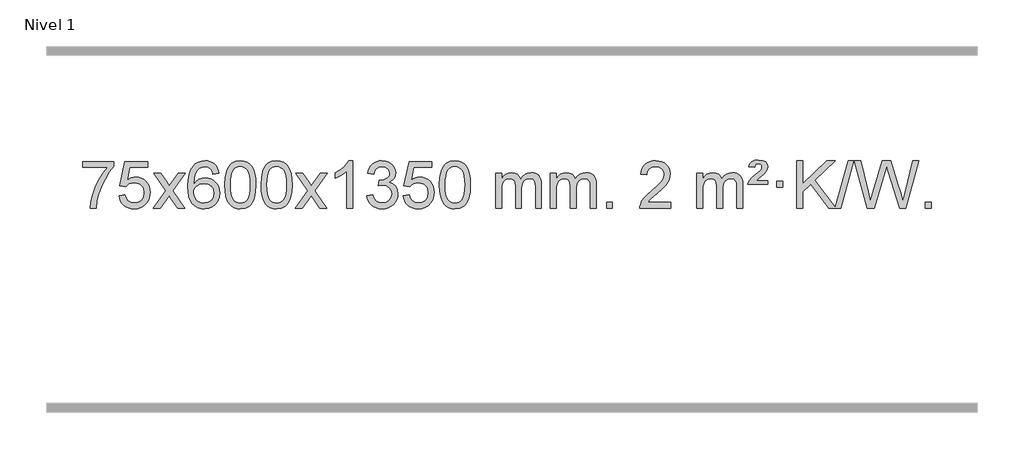
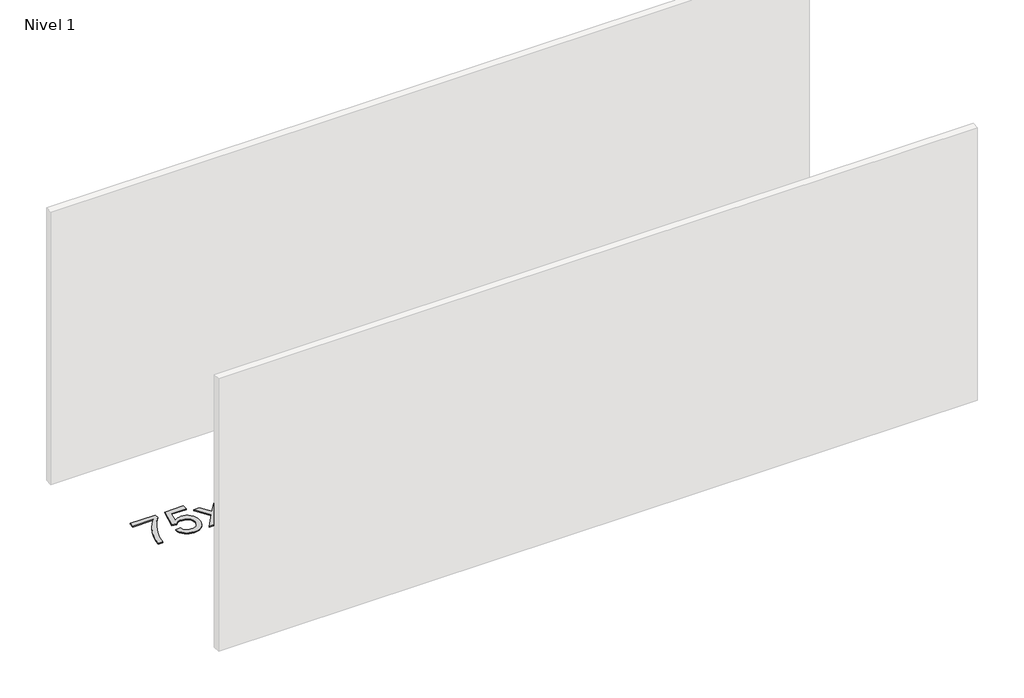
# One storey, part 6 of 8: 1 proxy.
"""IFC4 building model written with IfcOpenShell, lengths in millimetres."""

from ifc_helpers import new_model, si_unit, origin, origin_with_axes, place, context, project, spatial, polyline, outline, extrude, element, save

model = new_model("IFC4")

# Units and contexts
model_context = context("Model", 3, world=origin())
ifc_project = project(units=[si_unit("LENGTHUNIT", "METRE", prefix="MILLI")], contexts=[model_context])

# Site, building, storey
site = spatial("IfcSite", under=ifc_project)
building = spatial("IfcBuilding", under=site)
storey = spatial("IfcBuildingStorey", under=building, Name="Nivel 1", Elevation=0.0)

# Proxy
placement = place(None, origin())
element("IfcBuildingElementProxy", 1, Name="Texto de modelo 1", ObjectType="Texto de modelo 1", at=placement, inside=storey, context=model_context, shape_type="SweptSolid", body=[
    extrude(outline(polyline([(76.1355068, -3050.2608869), (76.1355068, -3000.0327318), (339.8333209, -3000.0327318), (339.8333209, -3040.646904), (302.2480437, -3088.214046), (265.0306485, -3148.7061088), (232.2033118, -3216.6048623), (207.7882101, -3286.3920768), (195.8197825, -3338.6067947), (189.1488557, -3395.579453), (138.9207006, -3395.579453), (144.3530914, -3343.8061935), (158.8844302, -3282.2717985), (182.1223096, -3217.0463207), (213.674322, -3154.1998132), (250.5115725, -3097.3865704), (289.6051658, -3050.2608869), (76.1355068, -3050.2608869)])), origin_with_axes(), (0.0, 0.0, 1.0), 10.0),
    extrude(outline(polyline([(383.7829566, -3288.8446235), (434.0111117, -3282.5661041), (443.232687, -3312.7201649), (459.3213929, -3334.3148381), (482.203653, -3347.3010725), (511.8058909, -3351.6298173), (530.9357547, -3350.1245668), (547.8092755, -3345.6088153), (562.4264534, -3338.0825628), (574.7872885, -3327.5458094), (584.6158691, -3314.519721), (591.6362839, -3299.5254641), (597.2526157, -3263.6324441), (591.9919031, -3229.8363514), (585.4160125, -3215.9181493), (576.2097655, -3203.9865099), (564.3425055, -3194.4154467), (549.7835755, -3187.5789729), (512.5907058, -3182.1097939), (488.224655, -3184.2925604), (468.4939173, -3190.8408599), (452.7363052, -3200.8717757), (440.2896311, -3213.5023908), (390.061476, -3207.2238715), (434.0111117, -3000.0327318), (628.6452126, -3000.0327318), (628.6452126, -3050.2608869), (474.6252839, -3050.2608869), (453.1409754, -3160.919791), (470.8667562, -3148.2155994), (489.0217327, -3139.1411769), (507.6059048, -3133.6965234), (526.6192726, -3131.8816388), (551.0803596, -3134.1318504), (573.5487524, -3140.882485), (594.0244512, -3152.1335427), (612.5074557, -3167.8850234), (627.808281, -3187.1743027), (638.737442, -3209.038756), (645.2949385, -3233.4783832), (647.4807707, -3260.4931844), (645.5126021, -3286.5147042), (639.608096, -3310.7213394), (629.7672527, -3333.1130902), (615.9900719, -3353.6899565), (595.1189001, -3374.7634634), (570.765112, -3389.8159684), (542.9287077, -3398.8474714), (511.6096872, -3401.8579724), (485.6893349, -3399.9235262), (462.2767116, -3394.1201877), (441.3718173, -3384.447957), (422.9746518, -3370.9068338), (407.6676951, -3354.1712688), (396.033427, -3334.915712), (388.0718475, -3313.1401636), (383.7829566, -3288.8446235)])), origin_with_axes(), (0.0, 0.0, 1.0), 10.0),
    extrude(outline(polyline([(672.5948483, -3395.579453), (779.918289, -3247.2494325), (678.8733677, -3100.4890419), (739.3041167, -3100.4890419), (788.0607438, -3171.122385), (810.8203766, -3204.4770192), (830.5388515, -3177.2047007), (886.0645073, -3100.4890419), (946.4952564, -3100.4890419), (840.3490381, -3247.2494325), (942.5711818, -3395.579453), (882.1404327, -3395.579453), (820.6305631, -3306.4048574), (809.3488486, -3290.1199477), (733.0255973, -3395.579453), (672.5948483, -3395.579453)])), origin_with_axes(), (0.0, 0.0, 1.0), 10.0),
    extrude(outline(polyline([(1231.3830735, -3100.4890419), (1181.1549184, -3106.7675613), (1173.0615145, -3081.874213), (1162.1231565, -3064.8780648), (1139.3389983, -3049.2062918), (1111.7968996, -3043.9823675), (1088.4486556, -3047.0235253), (1066.4738378, -3056.1469988), (1047.6014914, -3075.3627017), (1032.1872358, -3101.8134171), (1021.7761754, -3139.227016), (1017.9134144, -3191.3313693), (1038.061085, -3167.8237098), (1062.2064066, -3151.2567573), (1089.0004786, -3141.434308), (1117.0944003, -3138.1601582), (1141.2274592, -3140.398107), (1163.4965826, -3147.1119534), (1183.9017706, -3158.3016975), (1202.4430232, -3173.9673391), (1217.8511474, -3193.1769106), (1228.8569504, -3214.9984443), (1235.4604323, -3239.4319401), (1237.6615929, -3266.4773982), (1233.5167891, -3302.4439945), (1221.0823776, -3335.786366), (1201.3884281, -3364.0642287), (1175.4650102, -3384.8372987), (1144.4893462, -3397.602804), (1109.6386585, -3401.8579724), (1079.6961298, -3399.0375437), (1052.6537375, -3390.5762579), (1028.5114816, -3376.4741147), (1007.269362, -3356.7311143), (989.9513171, -3330.5133908), (977.581285, -3296.9870783), (970.1592658, -3256.1521768), (967.6852593, -3208.0086864), (970.4321116, -3154.0342663), (978.6726683, -3107.9693092), (992.4069294, -3069.8138149), (1011.634895, -3039.5677835), (1032.4754101, -3019.5243462), (1056.6391258, -3005.2076052), (1084.1260422, -2996.6175606), (1114.9361593, -2993.7542124), (1138.0698054, -2995.5261773), (1159.0084223, -3000.8420722), (1177.7520099, -3009.7018969), (1194.3005684, -3022.1056515), (1208.2065078, -3037.6364031), (1219.0222384, -3055.8772186), (1226.7477603, -3076.8280983), (1231.3830735, -3100.4890419)]), holes=[polyline([(1017.9134144, -3265.6925832), (1020.8196822, -3287.9494439), (1029.5384855, -3309.2007605), (1043.0765429, -3327.472233), (1060.4405731, -3340.7895612), (1081.397584, -3348.9197533), (1105.7145839, -3351.6298173), (1138.8607517, -3346.0134855), (1152.7758882, -3338.9930708), (1164.9190597, -3329.1644901), (1174.7691001, -3316.9262824), (1181.8048433, -3302.6769865), (1187.4334378, -3268.1451299), (1181.8784197, -3234.9989621), (1174.934647, -3221.3781312), (1165.2133653, -3209.725469), (1153.0334056, -3200.3904634), (1138.7135989, -3193.7226022), (1103.6544448, -3188.3883133), (1070.5573279, -3193.7226022), (1042.8803392, -3209.725469), (1031.9573096, -3221.2248471), (1024.1551456, -3234.3858254), (1019.4738472, -3249.2084042), (1017.9134144, -3265.6925832)])]), origin_with_axes(), (0.0, 0.0, 1.0), 10.0),
    extrude(outline(polyline([(1281.6112286, -3197.9041943), (1285.3023112, -3133.5861588), (1296.3755593, -3082.2911459), (1314.7206081, -3043.2343407), (1326.5786711, -3028.0009605), (1340.2270931, -3015.6309284), (1355.7118594, -3006.0598651), (1373.0789553, -2999.2233914), (1413.4601356, -2993.7542124), (1444.4112742, -2996.991574), (1472.1250511, -3006.7036586), (1495.3016168, -3022.5103217), (1512.6411215, -3044.0314184), (1525.7377206, -3071.0830078), (1536.1855692, -3103.4811488), (1543.0281743, -3144.6226186), (1545.3090427, -3197.9041943), (1541.6547482, -3261.8543477), (1530.6918648, -3313.0267333), (1512.4571805, -3352.1203266), (1500.6267087, -3367.3996922), (1486.9874837, -3379.8341036), (1471.4843233, -3389.4695462), (1454.0620452, -3396.3520052), (1413.4601356, -3401.8579724), (1385.7954096, -3399.4667394), (1361.2699432, -3392.2930405), (1339.8837366, -3380.3368757), (1321.6367896, -3363.5982449), (1304.1256067, -3333.3399508), (1291.6176188, -3295.6381776), (1284.1128261, -3250.4929255), (1281.6112286, -3197.9041943)]), holes=[polyline([(1331.8393836, -3197.8060924), (1333.3109116, -3241.4706195), (1337.7254956, -3276.8148822), (1345.0831355, -3303.8388804), (1355.3838313, -3322.5426142), (1367.8427682, -3335.2682656), (1381.6751312, -3344.3580165), (1396.8809204, -3349.8118671), (1413.4601356, -3351.6298173), (1430.0393509, -3349.8057357), (1445.24514, -3344.3334911), (1459.077503, -3335.2130833), (1471.5364399, -3322.4445124), (1481.8371358, -3303.7101217), (1489.1947757, -3276.6922549), (1493.6093596, -3241.3909118), (1495.0808876, -3197.8060924), (1493.6584106, -3155.2973278), (1489.3909794, -3120.5753989), (1482.2785942, -3093.6403055), (1472.3212549, -3074.4920476), (1460.0707844, -3061.1440625), (1446.0790059, -3051.6097875), (1430.3459192, -3045.8892225), (1412.8715244, -3043.9823675), (1396.3781483, -3045.6623619), (1381.4298766, -3050.7023452), (1368.0267092, -3059.1023175), (1356.1686462, -3070.8622786), (1345.5245938, -3091.708925), (1337.9216993, -3119.8151094), (1333.3599625, -3155.1808319), (1331.8393836, -3197.8060924)])]), origin_with_axes(), (0.0, 0.0, 1.0), 10.0),
    extrude(outline(polyline([(1589.2586784, -3197.9041943), (1592.9497611, -3133.5861588), (1604.0230091, -3082.2911459), (1622.368058, -3043.2343407), (1634.2261209, -3028.0009605), (1647.874543, -3015.6309284), (1663.3593093, -3006.0598651), (1680.7264051, -2999.2233914), (1721.1075855, -2993.7542124), (1752.058724, -2996.991574), (1779.772501, -3006.7036586), (1802.9490667, -3022.5103217), (1820.2885714, -3044.0314184), (1833.3851704, -3071.0830078), (1843.833019, -3103.4811488), (1850.6756242, -3144.6226186), (1852.9564925, -3197.9041943), (1849.302198, -3261.8543477), (1838.3393146, -3313.0267333), (1820.1046304, -3352.1203266), (1808.2741585, -3367.3996922), (1794.6349336, -3379.8341036), (1779.1317731, -3389.4695462), (1761.709495, -3396.3520052), (1721.1075855, -3401.8579724), (1693.4428594, -3399.4667394), (1668.9173931, -3392.2930405), (1647.5311864, -3380.3368757), (1629.2842395, -3363.5982449), (1611.7730565, -3333.3399508), (1599.2650687, -3295.6381776), (1591.760276, -3250.4929255), (1589.2586784, -3197.9041943)]), holes=[polyline([(1639.4868335, -3197.8060924), (1640.9583614, -3241.4706195), (1645.3729454, -3276.8148822), (1652.7305853, -3303.8388804), (1663.0312812, -3322.5426142), (1675.4902181, -3335.2682656), (1689.3225811, -3344.3580165), (1704.5283702, -3349.8118671), (1721.1075855, -3351.6298173), (1737.6868007, -3349.8057357), (1752.8925898, -3344.3334911), (1766.7249529, -3335.2130833), (1779.1838898, -3322.4445124), (1789.4845856, -3303.7101217), (1796.8422255, -3276.6922549), (1801.2568095, -3241.3909118), (1802.7283375, -3197.8060924), (1801.3058604, -3155.2973278), (1797.0384293, -3120.5753989), (1789.926044, -3093.6403055), (1779.9687047, -3074.4920476), (1767.7182342, -3061.1440625), (1753.7264557, -3051.6097875), (1737.993369, -3045.8892225), (1720.5189743, -3043.9823675), (1704.0255981, -3045.6623619), (1689.0773264, -3050.7023452), (1675.6741591, -3059.1023175), (1663.8160961, -3070.8622786), (1653.1720437, -3091.708925), (1645.5691491, -3119.8151094), (1641.0074124, -3155.1808319), (1639.4868335, -3197.8060924)])]), origin_with_axes(), (0.0, 0.0, 1.0), 10.0),
    extrude(outline(polyline([(1878.0705701, -3395.579453), (1985.3940108, -3247.2494325), (1884.3490895, -3100.4890419), (1944.7798385, -3100.4890419), (1993.5364656, -3171.122385), (2016.2960984, -3204.4770192), (2036.0145733, -3177.2047007), (2091.5402291, -3100.4890419), (2151.9709782, -3100.4890419), (2045.8247599, -3247.2494325), (2148.0469036, -3395.579453), (2087.6161545, -3395.579453), (2026.1062849, -3306.4048574), (2014.8245704, -3290.1199477), (1938.5013191, -3395.579453), (1878.0705701, -3395.579453)])), origin_with_axes(), (0.0, 0.0, 1.0), 10.0),
    extrude(outline(polyline([(2367.795082, -3395.579453), (2317.566927, -3395.579453), (2317.566927, -3082.4382987), (2296.5976532, -3099.3976587), (2269.9875223, -3116.3324932), (2217.1106168, -3141.6918254), (2217.1106168, -3094.2105225), (2256.5598294, -3072.7507395), (2290.7360668, -3047.219729), (2317.6772916, -3020.0700378), (2335.4214665, -2993.7542124), (2367.795082, -2993.7542124), (2367.795082, -3395.579453)])), origin_with_axes(), (0.0, 0.0, 1.0), 10.0),
    extrude(outline(polyline([(2487.0869503, -3288.8446235), (2537.3151054, -3282.5661041), (2548.5600317, -3314.1303793), (2565.0288824, -3335.4430095), (2587.5309978, -3347.5831154), (2616.8757182, -3351.6298173), (2651.309473, -3346.0625364), (2665.5832944, -3339.1034354), (2677.8950785, -3329.3606939), (2694.8912267, -3304.4428201), (2700.5566094, -3274.2274455), (2694.9402776, -3245.5449126), (2678.0912822, -3222.2825078), (2652.5847972, -3206.8682522), (2620.9959966, -3201.730167), (2585.7774269, -3207.2238715), (2591.3692332, -3156.9957164), (2599.4135862, -3157.5843276), (2629.5063334, -3153.979084), (2656.41077, -3143.1633534), (2667.4840181, -3134.9841103), (2675.3934809, -3124.8673555), (2680.1391587, -3112.8130888), (2681.7210513, -3098.8213102), (2677.1347891, -3077.1285352), (2663.3760024, -3059.5315131), (2642.3822032, -3047.8696539), (2616.0909033, -3043.9823675), (2589.7505525, -3047.9064421), (2568.217193, -3059.6786659), (2552.4963691, -3079.299039), (2543.5936248, -3106.7675613), (2493.3654697, -3100.4890419), (2499.3190267, -3076.5092672), (2508.1543259, -3055.3867093), (2519.8713675, -3037.1213683), (2534.4701513, -3021.713244), (2551.490825, -3009.4811677), (2570.4735359, -3000.7439703), (2591.4182842, -2995.5016519), (2614.3250697, -2993.7542124), (2645.9016077, -2997.2000404), (2674.9029716, -3007.5375245), (2699.3548616, -3023.8469596), (2717.2829775, -3045.2086408), (2728.2826491, -3069.8199463), (2731.9492063, -3095.8782543), (2728.4665901, -3120.1584659), (2718.0187415, -3142.1823347), (2700.7528131, -3160.9443165), (2676.815958, -3175.4388671), (2708.2576058, -3188.1430586), (2731.5567989, -3209.77452), (2745.9777731, -3239.1560286), (2750.7847645, -3275.1103623), (2748.3812688, -3300.5923218), (2741.1707817, -3324.0631931), (2729.1533032, -3345.5229762), (2712.3288333, -3364.971671), (2691.8316748, -3381.1094278), (2668.7961305, -3392.636397), (2643.2222005, -3399.5525785), (2615.1098847, -3401.8579724), (2589.7015015, -3399.8898037), (2566.5494613, -3393.9852977), (2545.653764, -3384.1444543), (2527.0144096, -3370.3672736), (2511.3855561, -3353.4630959), (2499.5213618, -3334.2412617), (2491.4218265, -3312.7017708), (2487.0869503, -3288.8446235)])), origin_with_axes(), (0.0, 0.0, 1.0), 10.0),
    extrude(outline(polyline([(2794.7344002, -3288.8446235), (2844.9625553, -3282.5661041), (2854.1841306, -3312.7201649), (2870.2728365, -3334.3148381), (2893.1550966, -3347.3010725), (2922.7573345, -3351.6298173), (2941.8871983, -3350.1245668), (2958.7607191, -3345.6088153), (2973.377897, -3338.0825628), (2985.7387321, -3327.5458094), (2995.5673127, -3314.519721), (3002.5877275, -3299.5254641), (3008.2040592, -3263.6324441), (3002.9433467, -3229.8363514), (2996.3674561, -3215.9181493), (2987.1612091, -3203.9865099), (2975.2939491, -3194.4154467), (2960.7350191, -3187.5789729), (2923.5421494, -3182.1097939), (2899.1760986, -3184.2925604), (2879.4453609, -3190.8408599), (2863.6877488, -3200.8717757), (2851.2410746, -3213.5023908), (2801.0129196, -3207.2238715), (2844.9625553, -3000.0327318), (3039.5966562, -3000.0327318), (3039.5966562, -3050.2608869), (2885.5767275, -3050.2608869), (2864.092419, -3160.919791), (2881.8181998, -3148.2155994), (2899.9731763, -3139.1411769), (2918.5573484, -3133.6965234), (2937.5707162, -3131.8816388), (2962.0318032, -3134.1318504), (2984.500196, -3140.882485), (3004.9758947, -3152.1335427), (3023.4588993, -3167.8850234), (3038.7597246, -3187.1743027), (3049.6888856, -3209.038756), (3056.2463821, -3233.4783832), (3058.4322143, -3260.4931844), (3056.4640457, -3286.5147042), (3050.5595396, -3310.7213394), (3040.7186963, -3333.1130902), (3026.9415155, -3353.6899565), (3006.0703437, -3374.7634634), (2981.7165556, -3389.8159684), (2953.8801513, -3398.8474714), (2922.5611308, -3401.8579724), (2896.6407785, -3399.9235262), (2873.2281552, -3394.1201877), (2852.3232608, -3384.447957), (2833.9260954, -3370.9068338), (2818.6191387, -3354.1712688), (2806.9848706, -3334.915712), (2799.0232911, -3313.1401636), (2794.7344002, -3288.8446235)])), origin_with_axes(), (0.0, 0.0, 1.0), 10.0),
    extrude(outline(polyline([(3102.38185, -3197.9041943), (3106.0729327, -3133.5861588), (3117.1461808, -3082.2911459), (3135.4912296, -3043.2343407), (3147.3492926, -3028.0009605), (3160.9977146, -3015.6309284), (3176.4824809, -3006.0598651), (3193.8495767, -2999.2233914), (3234.2307571, -2993.7542124), (3265.1818956, -2996.991574), (3292.8956726, -3006.7036586), (3316.0722383, -3022.5103217), (3333.411743, -3044.0314184), (3346.508342, -3071.0830078), (3356.9561907, -3103.4811488), (3363.7987958, -3144.6226186), (3366.0796642, -3197.9041943), (3362.4253697, -3261.8543477), (3351.4624862, -3313.0267333), (3333.227802, -3352.1203266), (3321.3973302, -3367.3996922), (3307.7581052, -3379.8341036), (3292.2549448, -3389.4695462), (3274.8326666, -3396.3520052), (3234.2307571, -3401.8579724), (3206.566031, -3399.4667394), (3182.0405647, -3392.2930405), (3160.6543581, -3380.3368757), (3142.4074111, -3363.5982449), (3124.8962281, -3333.3399508), (3112.3882403, -3295.6381776), (3104.8834476, -3250.4929255), (3102.38185, -3197.9041943)]), holes=[polyline([(3152.6100051, -3197.8060924), (3154.0815331, -3241.4706195), (3158.496117, -3276.8148822), (3165.8537569, -3303.8388804), (3176.1544528, -3322.5426142), (3188.6133897, -3335.2682656), (3202.4457527, -3344.3580165), (3217.6515418, -3349.8118671), (3234.2307571, -3351.6298173), (3250.8099723, -3349.8057357), (3266.0157615, -3344.3334911), (3279.8481245, -3335.2130833), (3292.3070614, -3322.4445124), (3302.6077573, -3303.7101217), (3309.9653972, -3276.6922549), (3314.3799811, -3241.3909118), (3315.8515091, -3197.8060924), (3314.429032, -3155.2973278), (3310.1616009, -3120.5753989), (3303.0492157, -3093.6403055), (3293.0918763, -3074.4920476), (3280.8414059, -3061.1440625), (3266.8496273, -3051.6097875), (3251.1165407, -3045.8892225), (3233.6421459, -3043.9823675), (3217.1487698, -3045.6623619), (3202.200498, -3050.7023452), (3188.7973307, -3059.1023175), (3176.9392677, -3070.8622786), (3166.2952153, -3091.708925), (3158.6923207, -3119.8151094), (3154.130584, -3155.1808319), (3152.6100051, -3197.8060924)])]), origin_with_axes(), (0.0, 0.0, 1.0), 10.0),
    extrude(outline(polyline([(3579.5493232, -3395.579453), (3579.5493232, -3100.4890419), (3629.7774783, -3100.4890419), (3629.7774783, -3149.0494653), (3644.8851656, -3126.7435537), (3664.3093349, -3109.2691589), (3687.3877987, -3097.9751816), (3713.4583695, -3094.2105225), (3741.3928756, -3098.048758), (3763.7846264, -3109.5634645), (3780.5109945, -3127.9943524), (3791.4493524, -3152.5811324), (3809.7576131, -3127.0439906), (3830.6410477, -3108.803175), (3854.0996562, -3097.8586857), (3880.1334388, -3094.2105225), (3900.2412555, -3095.7280358), (3917.8903942, -3100.2805755), (3933.0808549, -3107.8681416), (3945.8126376, -3118.4907342), (3955.8772759, -3132.2709806), (3963.0663032, -3149.3315082), (3967.3797196, -3169.6723168), (3968.8175251, -3193.2934066), (3968.8175251, -3395.579453), (3918.58937, -3395.579453), (3918.58937, -3214.875817), (3917.4244103, -3189.8230531), (3913.9295314, -3172.9372695), (3907.3812319, -3161.3735121), (3897.0560105, -3152.2868268), (3883.7754705, -3146.4007149), (3868.3612149, -3144.4386776), (3841.15021, -3149.4663982), (3818.9669257, -3164.54956), (3810.3615527, -3176.1194488), (3804.2148577, -3190.7182326), (3799.2975017, -3229.0024856), (3799.2975017, -3395.579453), (3749.0693466, -3395.579453), (3749.0693466, -3209.2840106), (3746.1630788, -3180.8835206), (3737.4442756, -3160.6254854), (3722.1035964, -3148.4853796), (3699.3317009, -3144.4386776), (3679.9811079, -3147.1364789), (3662.1510939, -3155.2298828), (3647.4358141, -3168.5226856), (3637.4294238, -3186.8186835), (3631.6904647, -3212.2025411), (3629.7774783, -3246.7589232), (3629.7774783, -3395.579453), (3579.5493232, -3395.579453)])), origin_with_axes(), (0.0, 0.0, 1.0), 10.0),
    extrude(outline(polyline([(4044.1597577, -3395.579453), (4044.1597577, -3100.4890419), (4094.3879127, -3100.4890419), (4094.3879127, -3149.0494653), (4109.4956, -3126.7435537), (4128.9197694, -3109.2691589), (4151.9982332, -3097.9751816), (4178.0688039, -3094.2105225), (4206.0033101, -3098.048758), (4228.3950609, -3109.5634645), (4245.1214289, -3127.9943524), (4256.0597869, -3152.5811324), (4274.3680475, -3127.0439906), (4295.2514821, -3108.803175), (4318.7100907, -3097.8586857), (4344.7438732, -3094.2105225), (4364.8516899, -3095.7280358), (4382.5008286, -3100.2805755), (4397.6912893, -3107.8681416), (4410.4230721, -3118.4907342), (4420.4877103, -3132.2709806), (4427.6767376, -3149.3315082), (4431.990154, -3169.6723168), (4433.4279595, -3193.2934066), (4433.4279595, -3395.579453), (4383.1998044, -3395.579453), (4383.1998044, -3214.875817), (4382.0348448, -3189.8230531), (4378.5399658, -3172.9372695), (4371.9916663, -3161.3735121), (4361.666445, -3152.2868268), (4348.3859049, -3146.4007149), (4332.9716493, -3144.4386776), (4305.7606444, -3149.4663982), (4283.5773601, -3164.54956), (4274.9719871, -3176.1194488), (4268.8252921, -3190.7182326), (4263.9079361, -3229.0024856), (4263.9079361, -3395.579453), (4213.679781, -3395.579453), (4213.679781, -3209.2840106), (4210.7735133, -3180.8835206), (4202.05471, -3160.6254854), (4186.7140308, -3148.4853796), (4163.9421353, -3144.4386776), (4144.5915424, -3147.1364789), (4126.7615283, -3155.2298828), (4112.0462485, -3168.5226856), (4102.0398582, -3186.8186835), (4096.3008991, -3212.2025411), (4094.3879127, -3246.7589232), (4094.3879127, -3395.579453), (4044.1597577, -3395.579453)])), origin_with_axes(), (0.0, 0.0, 1.0), 10.0),
    extrude(outline(polyline([(4521.3272309, -3395.579453), (4521.3272309, -3345.3512979), (4571.555386, -3345.3512979), (4571.555386, -3395.579453), (4521.3272309, -3395.579453)])), origin_with_axes(), (0.0, 0.0, 1.0), 10.0),
    extrude(outline(polyline([(5067.5584173, -3345.3512979), (5067.5584173, -3395.579453), (4803.8606032, -3395.579453), (4804.9642492, -3377.8965918), (4809.2562058, -3360.9494945), (4821.6415663, -3333.8856424), (4839.7658859, -3307.6311307), (4865.9836094, -3280.1503456), (4902.6491816, -3249.4076736), (4956.8504622, -3201.2641831), (4989.3712306, -3165.7267824), (5005.6316148, -3136.884834), (5011.0517429, -3108.8277005), (5005.9381831, -3083.6768347), (4990.5975039, -3062.7688747), (4967.016268, -3048.6789943), (4937.1810382, -3043.9823675), (4905.849755, -3048.5686297), (4881.5082296, -3062.3274163), (4865.7996684, -3084.1796068), (4860.3672776, -3113.0460807), (4810.1391226, -3106.7675613), (4814.4586703, -3080.838012), (4822.3160166, -3058.1826125), (4833.7111614, -3038.8013627), (4848.6441047, -3022.6942627), (4866.77149, -3010.0329907), (4887.7499608, -3000.989225), (4911.579517, -2995.5629655), (4938.2601587, -2993.7542124), (4965.1799237, -2995.7653006), (4989.1382387, -3001.7985654), (5010.1351036, -3011.8540066), (5028.1705184, -3025.9316242), (5042.6558719, -3042.9890861), (5053.002553, -3061.9840598), (5059.2105617, -3082.9165453), (5061.2798979, -3105.7865427), (5059.0480805, -3129.8092369), (5052.3526282, -3153.4149983), (5040.4700397, -3177.4254299), (5022.6768139, -3202.6621347), (4994.3131121, -3232.7916701), (4950.7190956, -3271.4805933), (4892.9370969, -3319.795762), (4870.275566, -3345.3512979), (5067.5584173, -3345.3512979)])), origin_with_axes(), (0.0, 0.0, 1.0), 10.0),
    extrude(outline(polyline([(5287.3065958, -3395.579453), (5287.3065958, -3100.4890419), (5337.5347508, -3100.4890419), (5337.5347508, -3149.0494653), (5352.6424381, -3126.7435537), (5372.0666075, -3109.2691589), (5395.1450713, -3097.9751816), (5421.215642, -3094.2105225), (5449.1501482, -3098.048758), (5471.541899, -3109.5634645), (5488.268267, -3127.9943524), (5499.206625, -3152.5811324), (5517.5148856, -3127.0439906), (5538.3983202, -3108.803175), (5561.8569288, -3097.8586857), (5587.8907113, -3094.2105225), (5607.998528, -3095.7280358), (5625.6476667, -3100.2805755), (5640.8381275, -3107.8681416), (5653.5699102, -3118.4907342), (5663.6345484, -3132.2709806), (5670.8235757, -3149.3315082), (5675.1369921, -3169.6723168), (5676.5747976, -3193.2934066), (5676.5747976, -3395.579453), (5626.3466425, -3395.579453), (5626.3466425, -3214.875817), (5625.1816829, -3189.8230531), (5621.6868039, -3172.9372695), (5615.1385044, -3161.3735121), (5604.8132831, -3152.2868268), (5591.532743, -3146.4007149), (5576.1184874, -3144.4386776), (5548.9074825, -3149.4663982), (5526.7241982, -3164.54956), (5518.1188252, -3176.1194488), (5511.9721302, -3190.7182326), (5507.0547742, -3229.0024856), (5507.0547742, -3395.579453), (5456.8266191, -3395.579453), (5456.8266191, -3209.2840106), (5453.9203514, -3180.8835206), (5445.2015481, -3160.6254854), (5429.8608689, -3148.4853796), (5407.0889734, -3144.4386776), (5387.7383805, -3147.1364789), (5369.9083664, -3155.2298828), (5355.1930866, -3168.5226856), (5345.1866963, -3186.8186835), (5339.4477372, -3212.2025411), (5337.5347508, -3246.7589232), (5337.5347508, -3395.579453), (5287.3065958, -3395.579453)])), origin_with_axes(), (0.0, 0.0, 1.0), 10.0),
    extrude(outline(polyline([(5720.5244333, -3194.6668327), (5724.350406, -3178.8479069), (5732.6890646, -3162.9799302), (5754.1978986, -3137.8413272), (5786.1545812, -3110.1030247), (5830.3004207, -3072.726214), (5837.4373314, -3061.1992448), (5839.8163016, -3049.3779701), (5837.9278407, -3037.2869152), (5832.262458, -3027.5012541), (5822.8937298, -3021.026531), (5809.8952327, -3018.8682899), (5797.4608212, -3020.4869707), (5788.6071279, -3025.343013), (5782.1814557, -3034.8098431), (5777.0311077, -3050.2608869), (5726.8029527, -3043.9823675), (5737.6432088, -3018.7701881), (5754.271475, -3001.2099542), (5778.0366519, -2990.9092583), (5810.2876401, -2987.475693), (5846.0702955, -2991.6082341), (5870.8164911, -3004.0058573), (5885.2374653, -3022.3386434), (5890.0444567, -3044.2766731), (5885.9487038, -3067.1834586), (5873.6614451, -3088.8149199), (5853.1336298, -3108.6314968), (5816.6642614, -3136.6886303), (5791.0596745, -3163.2742358), (5890.0444567, -3163.2742358), (5890.0444567, -3194.6668327), (5720.5244333, -3194.6668327)])), origin_with_axes(), (0.0, 0.0, 1.0), 10.0),
    extrude(outline(polyline([(5965.3866893, -3219.7809102), (5965.3866893, -3169.5527552), (6015.6148444, -3169.5527552), (6015.6148444, -3219.7809102), (5965.3866893, -3219.7809102)])), origin_with_axes(), (0.0, 0.0, 1.0), 10.0),
    extrude(outline(polyline([(6406.2564723, -3395.579453), (6252.8251548, -3192.9009991), (6185.1348677, -3257.4520265), (6185.1348677, -3395.579453), (6134.9067127, -3395.579453), (6134.9067127, -2993.7542124), (6185.1348677, -2993.7542124), (6185.1348677, -3190.4484525), (6391.148785, -2993.7542124), (6461.3897206, -2993.7542124), (6288.436132, -3158.9577537), (6463.0897418, -3389.5349332), (6574.4030696, -2993.7542124), (6619.7261314, -2993.7542124), (6506.7127824, -3395.579453), (6467.66824, -3395.579453), (6461.3897206, -3395.579453), (6406.2564723, -3395.579453)])), origin_with_axes(), (0.0, 0.0, 1.0), 10.0),
    extrude(outline(polyline([(6734.2110083, -3395.579453), (6624.6312246, -2993.7542124), (6676.4290096, -2993.7542124), (6739.9990183, -3257.844434), (6759.6193914, -3339.3670841), (6780.6131906, -3267.2622131), (6860.2719053, -2993.7542124), (6934.9274248, -2993.7542124), (6992.8075254, -3192.0180823), (7017.6027719, -3265.5944814), (7035.8742443, -3339.3670841), (7054.9060062, -3260.1988788), (7119.0646262, -2993.7542124), (7170.8624111, -2993.7542124), (7061.1845256, -3395.579453), (7007.5228052, -3395.579453), (6911.1867734, -3085.5775584), (6897.7468179, -3042.3146358), (6882.6391306, -3094.4067263), (6794.8379611, -3395.579453), (6734.2110083, -3395.579453)])), origin_with_axes(), (0.0, 0.0, 1.0), 10.0),
    extrude(outline(polyline([(7227.3690855, -3395.579453), (7227.3690855, -3345.3512979), (7277.5972406, -3345.3512979), (7277.5972406, -3395.579453), (7227.3690855, -3395.579453)])), origin_with_axes(), (0.0, 0.0, 1.0), 10.0),
])

save(model, "model.ifc")
